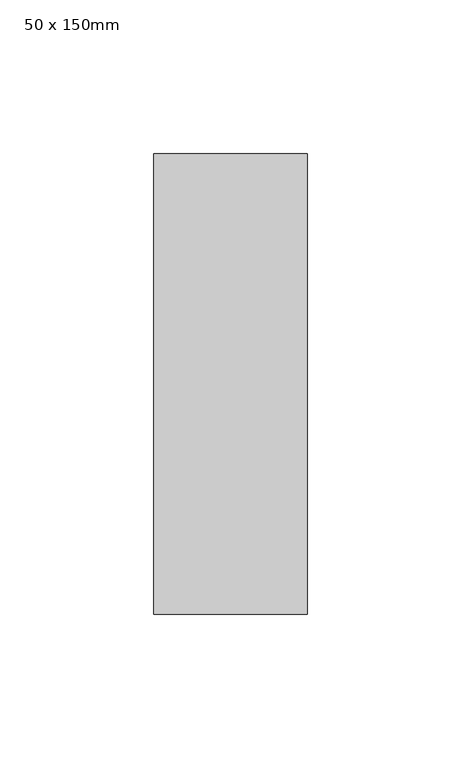
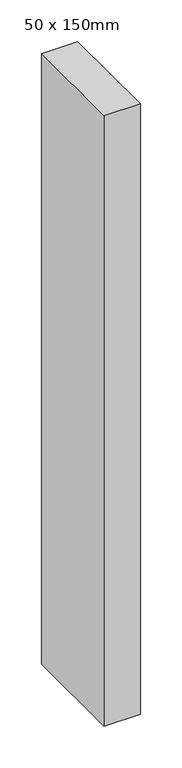
"""IFC4 building model written with IfcOpenShell, lengths in millimetres: member geometry, 50 x 150mm."""

from ifc_helpers import new_model, si_unit, frame, origin, place, context, project, spatial, polyline, outline, extrude, source, transform, mapped, element, save


def member_50_x_150mm_8fa48c2c(model_context):
    return source(origin(), model_context, "Body", "SweptSolid", [
        extrude(outline(polyline([(25.0, 75.0), (25.0, -75.0), (-25.0, -75.0), (-25.0, 75.0), (25.0, 75.0)])), frame((0.0, 0.0, -892.4013399), z_axis=(0.0, 0.0, 1.0), x_axis=(1.0, 0.0, 0.0)), (0.0, 0.0, 1.0), 892.4013399),
    ])


if __name__ == "__main__":
    model = new_model("IFC4")
    model_context = context("Model", 3, world=origin())
    ifc_project = project(units=[si_unit("LENGTHUNIT", "METRE", prefix="MILLI")], contexts=[model_context])
    site = spatial("IfcSite", under=ifc_project)
    building = spatial("IfcBuilding", under=site)
    placement = place(None, origin())
    member_50_x_150mm_shape = member_50_x_150mm_8fa48c2c(model_context)
    element("IfcMember", 1, ObjectType="50 x 150mm", at=placement, inside=building, context=model_context, shape_type="MappedRepresentation", body=[
        mapped(member_50_x_150mm_shape, transform((0.0, 0.0, 0.0), x_axis=(1.0, 0.0, 0.0), y_axis=(0.0, 1.0, 0.0), z_axis=(0.0, 0.0, 1.0))),
    ])
    save(model, "model.ifc")
